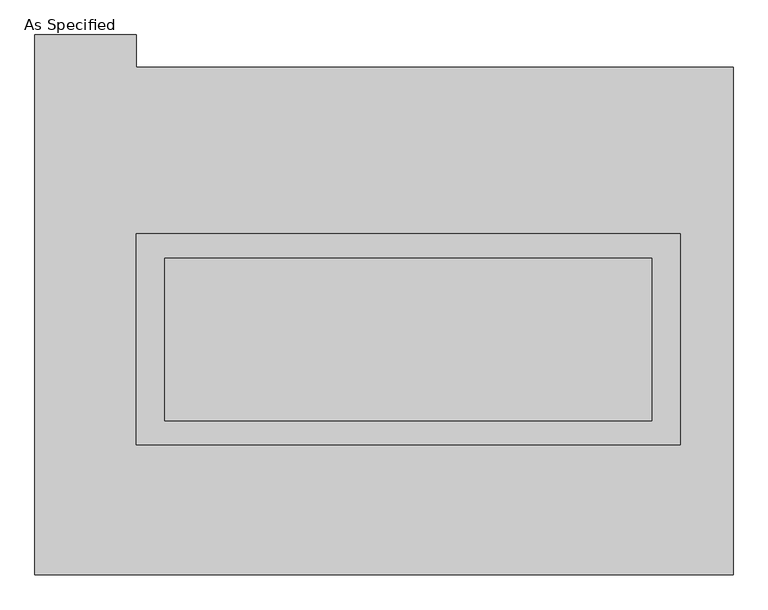
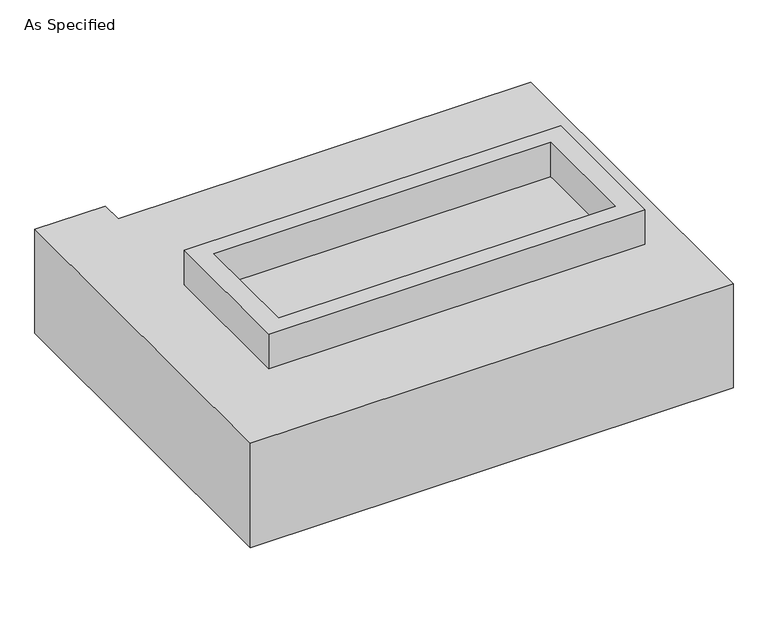
"""IFC4 building model written with IfcOpenShell, lengths in millimetres: proxy geometry, As Specified."""

from ifc_helpers import new_model, si_unit, frame, origin, place, context, project, spatial, polyline, outline, extrude, source, transform, mapped, element, save


def as_specified_5b9dc57a(model_context):
    return source(origin(), model_context, "Body", "SweptSolid", [
        extrude(outline(polyline([(850.9, 273.05), (850.9, -387.35), (-850.9, -387.35), (-850.9, 273.05), (850.9, 273.05)]), holes=[polyline([(762.0, 196.85), (-762.0, 196.85), (-762.0, -311.15), (762.0, -311.15), (762.0, 196.85)])]), frame((0.0, 0.0, -688.975), z_axis=(0.0, 0.0, 1.0), x_axis=(1.0, 0.0, 0.0)), (0.0, 0.0, 1.0), 165.1),
        extrude(outline(polyline([(850.9, 273.05), (850.9, -387.35), (-850.9, -387.35), (-850.9, 273.05), (850.9, 273.05)]), holes=[polyline([(762.0, 196.85), (-762.0, 196.85), (-762.0, -311.15), (762.0, -311.15), (762.0, 196.85)])]), frame((0.0, 0.0, -25.4), z_axis=(0.0, 0.0, 1.0), x_axis=(1.0, 0.0, 0.0)), (0.0, 0.0, 1.0), 165.1),
        extrude(outline(polyline([(762.0, 196.85), (762.0, -311.15), (-762.0, -311.15), (-762.0, 196.85), (762.0, 196.85)])), frame((0.0, 0.0, -523.875), z_axis=(0.0, 0.0, 1.0), x_axis=(1.0, 0.0, 0.0)), (0.0, 0.0, 1.0), 4.9609375),
        extrude(outline(polyline([(762.0, 196.85), (762.0, -311.15), (-762.0, -311.15), (-762.0, 196.85), (762.0, 196.85)])), frame((0.0, 0.0, -30.3609375), z_axis=(0.0, 0.0, 1.0), x_axis=(1.0, 0.0, 0.0)), (0.0, 0.0, 1.0), 4.9609375),
        extrude(outline(polyline([(1016.0, -793.75), (-1168.4, -793.75), (-1168.4, 895.35), (-850.9, 895.35), (-850.9, 793.75), (1016.0, 793.75), (1016.0, -793.75)]), holes=[polyline([(-850.9, 273.05), (-850.9, -387.35), (850.9, -387.35), (850.9, 273.05), (-850.9, 273.05)])]), frame((0.0, 0.0, -523.875), z_axis=(0.0, 0.0, 1.0), x_axis=(1.0, 0.0, 0.0)), (0.0, 0.0, 1.0), 498.475),
    ])


if __name__ == "__main__":
    model = new_model("IFC4")
    model_context = context("Model", 3, world=origin())
    ifc_project = project(units=[si_unit("LENGTHUNIT", "METRE", prefix="MILLI")], contexts=[model_context])
    site = spatial("IfcSite", under=ifc_project)
    building = spatial("IfcBuilding", under=site)
    placement = place(None, origin())
    as_specified_shape = as_specified_5b9dc57a(model_context)
    element("IfcBuildingElementProxy", 1, Name="As Specified", ObjectType="As Specified", at=placement, inside=building, context=model_context, shape_type="MappedRepresentation", body=[
        mapped(as_specified_shape, transform((0.0, 0.0, 0.0), x_axis=(1.0, 0.0, 0.0), y_axis=(0.0, 1.0, 0.0), z_axis=(0.0, 0.0, 1.0))),
    ])
    save(model, "model.ifc")
